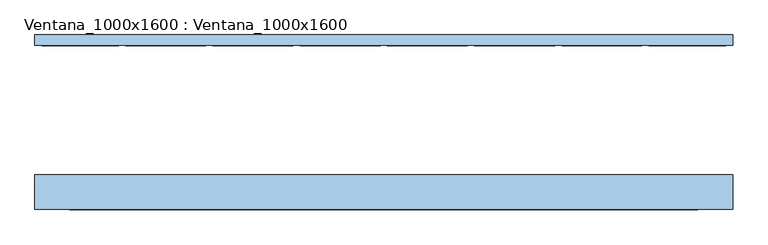
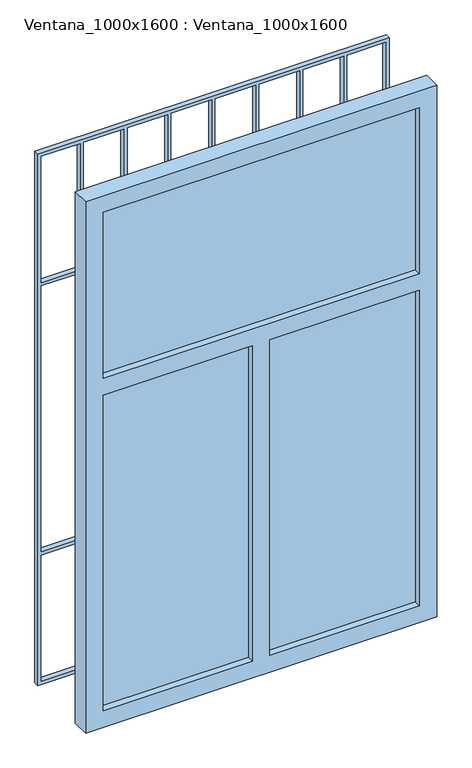
"""IFC4 building model written with IfcOpenShell, lengths in millimetres: window geometry, Ventana_1000x1600 : Ventana_1000x1600."""

from ifc_helpers import new_model, si_unit, frame, origin, place, context, project, spatial, polyline, outline, extrude, source, transform, mapped, element, save


def ventana_1000x1600_ventana_1000x1600_57968861(model_context):
    return source(origin(), model_context, "Body", "SweptSolid", [
        extrude(outline(polyline([(450.0, -105.0), (25.0, -105.0), (25.0, -95.0), (450.0, -95.0), (450.0, -105.0)])), frame((0.0, 0.0, 850.0), z_axis=(0.0, 0.0, 1.0), x_axis=(1.0, 0.0, 0.0)), (0.0, 0.0, 1.0), 950.0),
        extrude(outline(polyline([(450.0, -105.0), (-450.0, -105.0), (-450.0, -95.0), (450.0, -95.0), (450.0, -105.0)])), frame((0.0, 0.0, 1850.0), z_axis=(0.0, 0.0, 1.0), x_axis=(1.0, 0.0, 0.0)), (0.0, 0.0, 1.0), 500.0),
        extrude(outline(polyline([(-25.0, -105.0), (-450.0, -105.0), (-450.0, -95.0), (-25.0, -95.0), (-25.0, -105.0)])), frame((0.0, 0.0, 850.0), z_axis=(0.0, 0.0, 1.0), x_axis=(1.0, 0.0, 0.0)), (0.0, 0.0, 1.0), 950.0),
        extrude(outline(polyline([(2400.0, -500.0), (800.0, -500.0), (800.0, 500.0), (2400.0, 500.0), (2400.0, -500.0)]), holes=[polyline([(1800.0, 450.0), (850.0, 450.0), (850.0, 25.0), (1800.0, 25.0), (1800.0, 450.0)]), polyline([(1800.0, -25.0), (850.0, -25.0), (850.0, -450.0), (1800.0, -450.0), (1800.0, -25.0)]), polyline([(2350.0, -450.0), (2350.0, 450.0), (1850.0, 450.0), (1850.0, -450.0), (2350.0, -450.0)])]), frame((0.0, -125.0, 0.0), z_axis=(0.0, 1.0, 0.0), x_axis=(0.0, 0.0, 1.0)), (0.0, 0.0, 1.0), 50.0),
        extrude(outline(polyline([(2400.0, 500.0), (2400.0, -500.0), (800.0, -500.0), (800.0, 500.0), (2400.0, 500.0)]), holes=[polyline([(1190.0, 490.0), (810.0, 490.0), (810.0, 380.0), (1190.0, 380.0), (1190.0, 490.0)]), polyline([(810.0, 370.0), (810.0, 255.0), (1595.0, 255.0), (1595.0, 370.0), (810.0, 370.0)]), polyline([(1190.0, 245.0), (810.0, 245.0), (810.0, 130.0), (1190.0, 130.0), (1190.0, 245.0)]), polyline([(810.0, 120.0), (810.0, 5.0), (1445.0, 5.0), (1445.0, 120.0), (810.0, 120.0)]), polyline([(810.0, -5.0), (810.0, -120.0), (1445.0, -120.0), (1445.0, -5.0), (810.0, -5.0)]), polyline([(1190.0, -130.0), (810.0, -130.0), (810.0, -245.0), (1190.0, -245.0), (1190.0, -130.0)]), polyline([(1595.0, -255.0), (810.0, -255.0), (810.0, -370.0), (1595.0, -370.0), (1595.0, -255.0)]), polyline([(810.0, -380.0), (810.0, -490.0), (1190.0, -490.0), (1190.0, -380.0), (810.0, -380.0)]), polyline([(2010.0, -490.0), (2390.0, -490.0), (2390.0, -380.0), (2010.0, -380.0), (2010.0, -490.0)]), polyline([(2390.0, 380.0), (2390.0, 490.0), (2010.0, 490.0), (2010.0, 380.0), (2390.0, 380.0)]), polyline([(1200.0, -380.0), (1200.0, -490.0), (2000.0, -490.0), (2000.0, -380.0), (1200.0, -380.0)]), polyline([(1605.0, -255.0), (1605.0, -370.0), (2390.0, -370.0), (2390.0, -255.0), (1605.0, -255.0)]), polyline([(1605.0, 370.0), (1605.0, 255.0), (2390.0, 255.0), (2390.0, 370.0), (1605.0, 370.0)]), polyline([(2010.0, 245.0), (2010.0, 130.0), (2390.0, 130.0), (2390.0, 245.0), (2010.0, 245.0)]), polyline([(1755.0, 120.0), (1755.0, 5.0), (2390.0, 5.0), (2390.0, 120.0), (1755.0, 120.0)]), polyline([(1755.0, -5.0), (1755.0, -120.0), (2390.0, -120.0), (2390.0, -5.0), (1755.0, -5.0)]), polyline([(2010.0, -130.0), (2010.0, -245.0), (2390.0, -245.0), (2390.0, -130.0), (2010.0, -130.0)]), polyline([(1200.0, -130.0), (1200.0, -245.0), (2000.0, -245.0), (2000.0, -130.0), (1200.0, -130.0)]), polyline([(1200.0, 245.0), (1200.0, 130.0), (2000.0, 130.0), (2000.0, 245.0), (1200.0, 245.0)]), polyline([(1200.0, 490.0), (1200.0, 380.0), (2000.0, 380.0), (2000.0, 490.0), (1200.0, 490.0)]), polyline([(1745.0, -5.0), (1455.0, -5.0), (1455.0, -120.0), (1745.0, -120.0), (1745.0, -5.0)]), polyline([(1455.0, 120.0), (1455.0, 5.0), (1745.0, 5.0), (1745.0, 120.0), (1455.0, 120.0)])]), frame((0.0, 110.0, 0.0), z_axis=(0.0, 1.0, 0.0), x_axis=(0.0, 0.0, 1.0)), (0.0, 0.0, 1.0), 15.0),
    ])


if __name__ == "__main__":
    model = new_model("IFC4")
    model_context = context("Model", 3, world=origin())
    ifc_project = project(units=[si_unit("LENGTHUNIT", "METRE", prefix="MILLI")], contexts=[model_context])
    site = spatial("IfcSite", under=ifc_project)
    building = spatial("IfcBuilding", under=site)
    placement = place(None, origin())
    ventana_1000x1600_ventana_1000x1600_shape = ventana_1000x1600_ventana_1000x1600_57968861(model_context)
    element("IfcWindow", 1, ObjectType="Ventana_1000x1600 : Ventana_1000x1600", at=placement, inside=building, context=model_context, shape_type="MappedRepresentation", body=[
        mapped(ventana_1000x1600_ventana_1000x1600_shape, transform((0.0, 0.0, 0.0), x_axis=(1.0, 0.0, 0.0), y_axis=(0.0, 1.0, 0.0), z_axis=(0.0, 0.0, 1.0))),
    ])
    save(model, "model.ifc")
